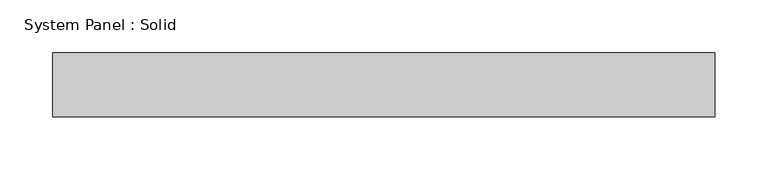
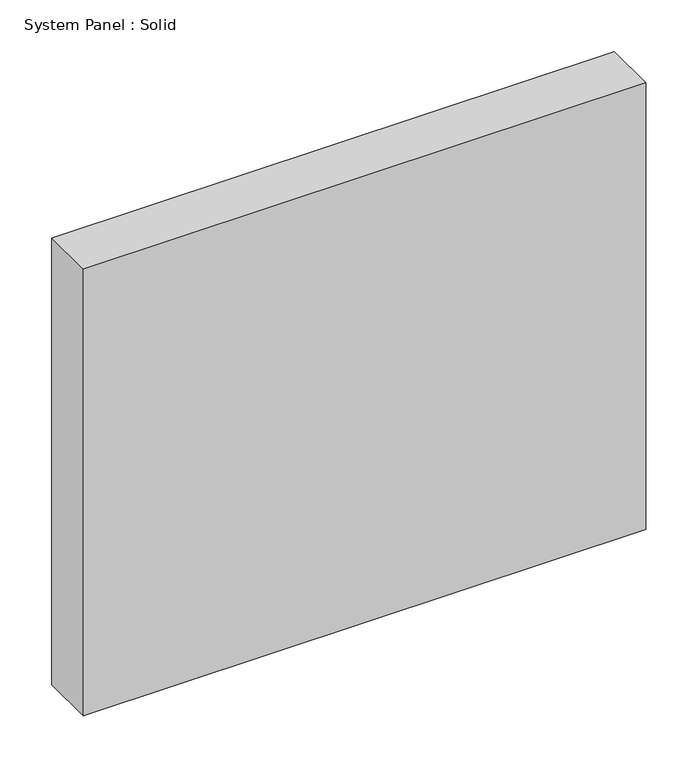
"""IFC4 building model written with IfcOpenShell, lengths in millimetres: plate geometry, System Panel : Solid."""

import ifcopenshell
import ifcopenshell.guid

model = None  # the IFC model being written
_history = None  # IfcOwnerHistory: only IFC2X3 demands one
_inside = {}  # id of a spatial element -> (the spatial element, [elements in it])
_under = {}  # id of a project, library or spatial element -> (it, [spatial elements below it])
_declared = {}  # id of a project -> (the project, [libraries it declares])
_typed = {}  # id of a type object -> (the type object, [elements of that type])
_made_of = {}  # id of a material, layer set ... -> (it, [elements and type objects made of it])


def new_model(schema):
    """Start an empty IFC model of exactly this schema.

    Asked for "IFC4X3", IfcOpenShell would pick the latest addendum, in which some entities
    have other attributes; the version numbers below select the first issue.
    IFC2X3 requires an IfcOwnerHistory on every rooted entity: one is made here for all.
    """
    global model, _history
    if schema == "IFC4X3":
        model = ifcopenshell.file(schema_version=(4, 3, 0, 0))
    else:
        model = ifcopenshell.file(schema=schema)
    _inside.clear()
    _under.clear()
    _declared.clear()
    _typed.clear()
    _made_of.clear()
    _history = None
    if model.schema == "IFC2X3":
        org = make("IfcOrganization", Name="unknown")
        user = make(
            "IfcPersonAndOrganization",
            ThePerson=make("IfcPerson", FamilyName="unknown"),
            TheOrganization=org,
        )
        app = make(
            "IfcApplication",
            ApplicationDeveloper=org,
            Version="unknown",
            ApplicationFullName="unknown",
            ApplicationIdentifier="unknown",
        )
        _history = make(
            "IfcOwnerHistory",
            OwningUser=user,
            OwningApplication=app,
            ChangeAction="ADDED",
            CreationDate=0,
        )
    return model


def make(cls, **values):
    """One entity of the class cls with the attributes given. An attribute that is None is left unset."""
    return model.create_entity(
        cls, **{name: value for name, value in values.items() if value is not None}
    )


def rooted(cls, **values):
    """An entity with a GlobalId (a new one), such as an element, a storey or a relation."""
    return make(cls, GlobalId=ifcopenshell.guid.new(), OwnerHistory=_history, **values)


def si_unit(unit_type, name, prefix=None):
    """IfcSIUnit, for example si_unit("LENGTHUNIT", "METRE", prefix="MILLI")."""
    return make("IfcSIUnit", UnitType=unit_type, Prefix=prefix, Name=name)


def assignment(units):
    """IfcUnitAssignment: the units of a project."""
    return None if units is None else make("IfcUnitAssignment", Units=units)


def point(xyz):
    """IfcCartesianPoint."""
    return None if xyz is None else make("IfcCartesianPoint", Coordinates=xyz)


def direction(xyz):
    """IfcDirection."""
    return None if xyz is None else make("IfcDirection", DirectionRatios=xyz)


def frame(location, z_axis=None, x_axis=None):
    """IfcAxis2Placement3D, a coordinate frame: its origin and axes. An axis left out is left unset."""
    return make(
        "IfcAxis2Placement3D",
        Location=point(location),
        Axis=direction(z_axis),
        RefDirection=direction(x_axis),
    )


def origin():
    """The frame at (0, 0, 0) with its axes left unset."""
    return frame((0.0, 0.0, 0.0))


def origin_with_axes():
    """The frame at (0, 0, 0) with the z axis (0, 0, 1) and the x axis (1, 0, 0) written out."""
    return frame((0.0, 0.0, 0.0), z_axis=(0.0, 0.0, 1.0), x_axis=(1.0, 0.0, 0.0))


def place(relative_to, where):
    """IfcLocalPlacement: puts the frame where relative to a parent placement (None: the world)."""
    return make(
        "IfcLocalPlacement", PlacementRelTo=relative_to, RelativePlacement=where
    )


def context(
    kind, dimensions, precision=None, world=None, true_north=None, identifier=None
):
    """IfcGeometricRepresentationContext, for example the 3D "Model" context."""
    return make(
        "IfcGeometricRepresentationContext",
        ContextIdentifier=identifier,
        ContextType=kind,
        CoordinateSpaceDimension=dimensions,
        Precision=precision,
        WorldCoordinateSystem=world,
        TrueNorth=true_north,
    )


def project(units=None, contexts=None):
    """IfcProject with its units and contexts."""
    return rooted(
        "IfcProject",
        Name="project",
        RepresentationContexts=contexts,
        UnitsInContext=assignment(units),
    )


def spatial(cls, under=None, at=None, **own):
    """A site, building, storey or space (cls), placed at a placement, below another one or the project."""
    s = rooted(cls, ObjectPlacement=at, **own)
    if under is not None:
        _under.setdefault(under.id(), (under, []))[1].append(s)
    return s


def polyline(points):
    """IfcPolyline through the points."""
    return make("IfcPolyline", Points=[point(p) for p in points])


def outline(outer, holes=None, kind="AREA"):
    """IfcArbitraryClosedProfileDef: a profile drawn as a closed curve; with holes, ...WithVoids."""
    if holes is None:
        return make("IfcArbitraryClosedProfileDef", ProfileType=kind, OuterCurve=outer)
    return make(
        "IfcArbitraryProfileDefWithVoids",
        ProfileType=kind,
        OuterCurve=outer,
        InnerCurves=holes,
    )


def extrude(swept, where, along, depth):
    """IfcExtrudedAreaSolid: the profile swept, set in the frame where, extruded along a direction by depth."""
    return make(
        "IfcExtrudedAreaSolid",
        SweptArea=swept,
        Position=where,
        ExtrudedDirection=direction(along),
        Depth=depth,
    )


def shape(context_of_items, identifier, shape_type, items):
    """IfcShapeRepresentation: the items that make up one representation, for example the "Body"."""
    return make(
        "IfcShapeRepresentation",
        ContextOfItems=context_of_items,
        RepresentationIdentifier=identifier,
        RepresentationType=shape_type,
        Items=items,
    )


def source(mapping_origin, context_of_items, identifier, shape_type, items):
    """IfcRepresentationMap: a shape defined once, which mapped items show again and again."""
    return make(
        "IfcRepresentationMap",
        MappingOrigin=mapping_origin,
        MappedRepresentation=shape(context_of_items, identifier, shape_type, items),
    )


def transform(
    local_origin,
    x_axis=None,
    y_axis=None,
    z_axis=None,
    scale=None,
    scale2=None,
    scale3=None,
    uniform=True,
):
    """IfcCartesianTransformationOperator3D, or its non-uniform kind. x_axis, y_axis, z_axis: its Axis1, 2, 3."""
    if uniform:
        return make(
            "IfcCartesianTransformationOperator3D",
            Axis1=direction(x_axis),
            Axis2=direction(y_axis),
            LocalOrigin=point(local_origin),
            Scale=scale,
            Axis3=direction(z_axis),
        )
    return make(
        "IfcCartesianTransformationOperator3DnonUniform",
        Axis1=direction(x_axis),
        Axis2=direction(y_axis),
        LocalOrigin=point(local_origin),
        Scale=scale,
        Axis3=direction(z_axis),
        Scale2=scale2,
        Scale3=scale3,
    )


def mapped(mapping_source, mapping_target):
    """IfcMappedItem: shows the shape of a source again, moved by a transform."""
    return make(
        "IfcMappedItem", MappingSource=mapping_source, MappingTarget=mapping_target
    )


def made_of(thing, what):
    """Note that an element or type object is made of a material, layer set ...; save() writes the relation."""
    if what is not None:
        _made_of.setdefault(what.id(), (what, []))[1].append(thing)
    return thing


def element(
    cls,
    number,
    at=None,
    inside=None,
    cuts=None,
    type_object=None,
    material=None,
    context=None,
    identifier="Body",
    shape_type=None,
    held_by="IfcProductDefinitionShape",
    body=None,
    shapes=None,
    **own,
):
    """One element of the class cls, such as IfcWall. Its Tag is "e" and its number.

    at: its placement. inside: the storey or other place that contains it. cuts: it is an
    opening in that element (IfcRelVoidsElement). A single representation is given by context,
    identifier, shape_type and body (its items); several are given by shapes. held_by: the class
    of the entity that holds the representations. save() writes the other relations.
    """
    e = rooted(cls, Tag="e%d" % number, ObjectPlacement=at, **own)
    if body is not None:
        shapes = [shape(context, identifier, shape_type, body)]
    if shapes is not None:
        e.Representation = make(held_by, Representations=shapes)
    if inside is not None:
        _inside.setdefault(inside.id(), (inside, []))[1].append(e)
    if cuts is not None:
        rooted(
            "IfcRelVoidsElement", RelatingBuildingElement=cuts, RelatedOpeningElement=e
        )
    if type_object is not None:
        _typed.setdefault(type_object.id(), (type_object, []))[1].append(e)
    return made_of(e, material)


def aggregate(whole, parts):
    """IfcRelAggregates: a whole, such as a stair, and the parts it consists of."""
    return rooted("IfcRelAggregates", RelatingObject=whole, RelatedObjects=parts)


def save(model, path):
    """Write the relations noted so far, then the file.

    IfcRelAggregates (storeys below a building ...), IfcRelContainedInSpatialStructure (elements
    in a storey), IfcRelDefinesByType, IfcRelAssociatesMaterial and IfcRelDeclares: one each for
    every whole, place, type object, material and project.
    """
    for whole, parts in _under.values():
        aggregate(whole, parts)
    for where, things in _inside.values():
        rooted(
            "IfcRelContainedInSpatialStructure",
            RelatedElements=things,
            RelatingStructure=where,
        )
    for kind, things in _typed.values():
        rooted("IfcRelDefinesByType", RelatedObjects=things, RelatingType=kind)
    for what, things in _made_of.values():
        rooted("IfcRelAssociatesMaterial", RelatedObjects=things, RelatingMaterial=what)
    for by, libraries in _declared.values():
        rooted("IfcRelDeclares", RelatingContext=by, RelatedDefinitions=libraries)
    model.write(path)


def system_panel_solid_05b27375(model_context):
    return source(origin(), model_context, "Body", "SweptSolid", [
        extrude(outline(polyline([(312.4998148, -49.5), (-312.4998148, -49.5), (-312.4998148, 10.5), (312.4998148, 10.5), (312.4998148, -49.5)])), origin_with_axes(), (0.0, 0.0, 1.0), 525.0),
    ])


if __name__ == "__main__":
    model = new_model("IFC4")
    model_context = context("Model", 3, world=origin())
    ifc_project = project(units=[si_unit("LENGTHUNIT", "METRE", prefix="MILLI")], contexts=[model_context])
    site = spatial("IfcSite", under=ifc_project)
    building = spatial("IfcBuilding", under=site)
    placement = place(None, origin())
    system_panel_solid_shape = system_panel_solid_05b27375(model_context)
    element("IfcPlate", 1, ObjectType="System Panel : Solid", at=placement, inside=building, context=model_context, shape_type="MappedRepresentation", body=[
        mapped(system_panel_solid_shape, transform((0.0, 0.0, 0.0), x_axis=(1.0, 0.0, 0.0), y_axis=(0.0, 1.0, 0.0), z_axis=(0.0, 0.0, 1.0))),
    ])
    save(model, "model.ifc")
